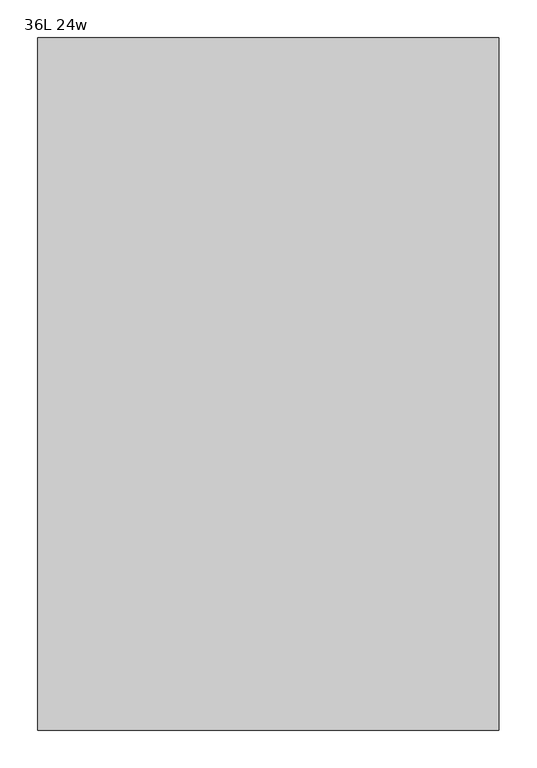
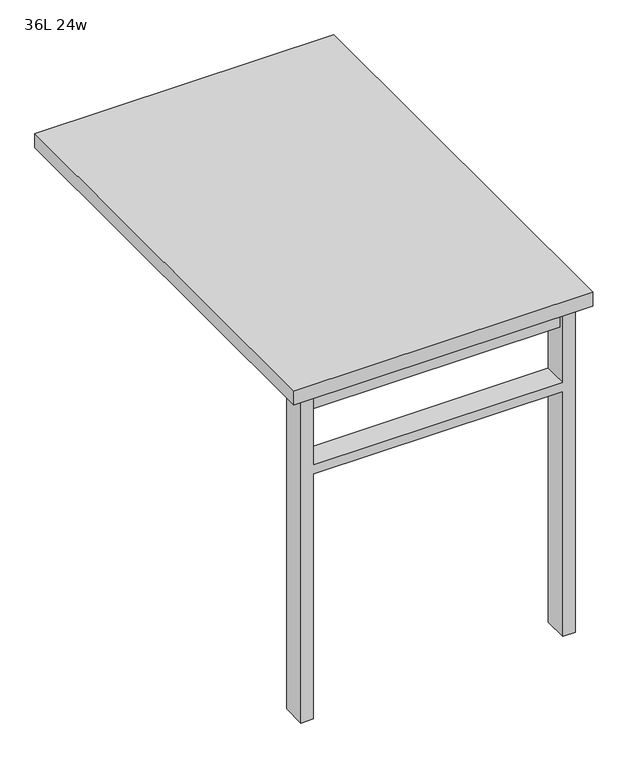
"""IFC4 building model written with IfcOpenShell, lengths in millimetres: furniture geometry, 36L 24w."""

from ifc_helpers import new_model, si_unit, frame, origin, place, context, project, spatial, polyline, outline, extrude, source, transform, mapped, element, save


def furniture_36l_24w_8a137dda(model_context):
    return source(origin(), model_context, "Body", "SweptSolid", [
        extrude(outline(polyline([(-254.0, -396.875), (254.0, -396.875), (254.0, -428.625), (-254.0, -428.625), (-254.0, -396.875)])), frame((0.0, 0.0, 661.9875), z_axis=(0.0, 0.0, 1.0), x_axis=(1.0, 0.0, 0.0)), (0.0, 0.0, 1.0), 44.45),
        extrude(outline(polyline([(528.6375, 254.0), (0.0, 254.0), (0.0, 279.4), (706.4375, 279.4), (706.4375, 254.0), (547.6875, 254.0), (547.6875, -254.0), (706.4375, -254.0), (706.4375, -279.4), (0.0, -279.4), (0.0, -254.0), (528.6375, -254.0), (528.6375, 254.0)])), frame((0.0, -438.15, 0.0), z_axis=(0.0, 1.0, 0.0), x_axis=(0.0, 0.0, 1.0)), (0.0, 0.0, 1.0), 50.8),
        extrude(outline(polyline([(-304.8, -457.2), (-304.8, 457.2), (304.8, 457.2), (304.8, -457.2), (-304.8, -457.2)])), frame((0.0, 0.0, 706.4375), z_axis=(0.0, 0.0, 1.0), x_axis=(1.0, 0.0, 0.0)), (0.0, 0.0, 1.0), 30.1625),
    ])


if __name__ == "__main__":
    model = new_model("IFC4")
    model_context = context("Model", 3, world=origin())
    ifc_project = project(units=[si_unit("LENGTHUNIT", "METRE", prefix="MILLI")], contexts=[model_context])
    site = spatial("IfcSite", under=ifc_project)
    building = spatial("IfcBuilding", under=site)
    placement = place(None, origin())
    furniture_36l_24w_shape = furniture_36l_24w_8a137dda(model_context)
    element("IfcFurniture", 1, ObjectType="36L 24w", at=placement, inside=building, context=model_context, shape_type="MappedRepresentation", body=[
        mapped(furniture_36l_24w_shape, transform((0.0, 0.0, 0.0), x_axis=(1.0, 0.0, 0.0), y_axis=(0.0, 1.0, 0.0), z_axis=(0.0, 0.0, 1.0))),
    ])
    save(model, "model.ifc")
